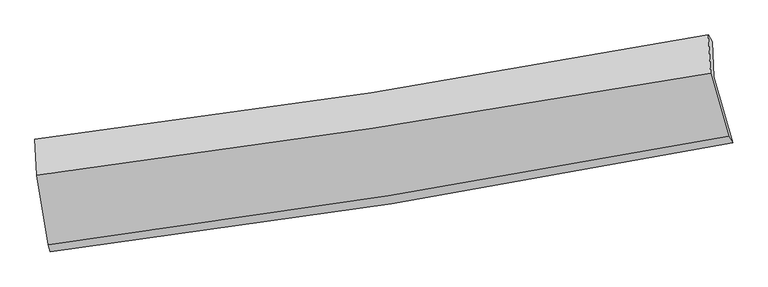
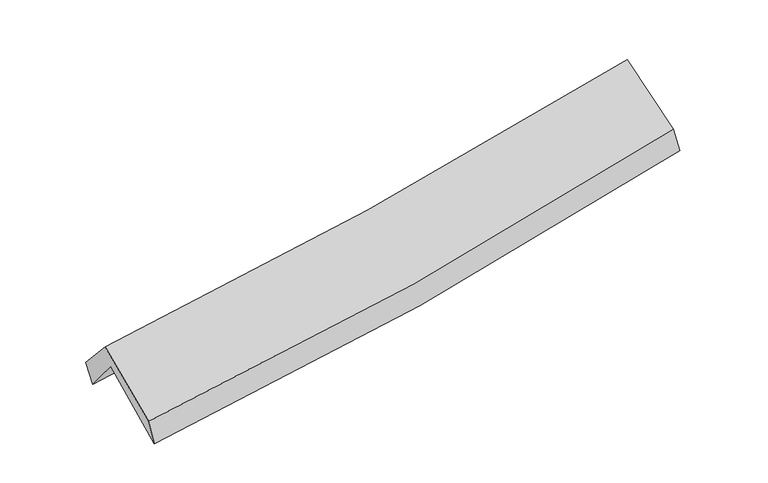
"""IFC4 building model written with IfcOpenShell, lengths in millimetres: proxy geometry."""

from ifc_helpers import new_model, si_unit, frame, origin, place, context, project, spatial, source, transform, mapped, element, save
from ifc_brep_helpers import plane_surface, spline_curve, spline_surface, advanced_brep


def generic_models_f3229497(model_context):
    return source(origin(), model_context, "Body", "AdvancedBrep", [
        advanced_brep(
        [(-2429.9895888, -2480.2461662, 1490.3215083), (-2515.0993828, -1976.3689209, 1927.6201211), (2455.1380482, -1193.4574501, 2373.576335), (2595.36688, -1678.7661323, 1936.6316051), (-2525.4993021, -1722.6768107, 1609.110347), (2445.5442691, -933.0431973, 2047.7251954), (-2543.9262855, -1650.7670985, 1775.7769352), (2416.9676533, -884.2161367, 2215.1655915), (-2530.8422616, -1917.5058836, 2074.9895156), (2433.2085463, -1167.253798, 2519.7079555), (-2446.8463509, -2428.2443844, 1669.4644119), (2565.2928871, -1631.3994464, 2119.1379558)],
        [
            (0, 1),
            (1, 2, spline_curve(3, [(-2515.0993828, -1976.3689209, 1927.6201211), (-1684.187452319, -1869.416992139, 1970.298913333), (-856.432967018, -1751.050758991, 2028.558725481), (800.371392932, -1490.291928316, 2176.921872219), (1629.362718019, -1347.687671119, 2267.314131577), (2455.1380482, -1193.4574501, 2373.576335)], [4, 2, 4], [0.0, 8.297761820759446, 16.672104434382547])),
            (2, 3),
            (3, 0, spline_curve(3, [(2595.36688, -1678.7661323, 1936.6316051), (1761.958909332, -1842.295381074, 1829.386265857), (924.533246707, -1991.089423831, 1738.474934626), (-750.658721094, -2257.981169259, 1590.002275502), (-1588.351881497, -2376.347138075, 1532.143574327), (-2429.9895888, -2480.2461662, 1490.3215083)], [4, 2, 4], [0.0, 8.374342613623101, 16.672104434382547])),
            (1, 4),
            (4, 5, spline_curve(3, [(-2525.4993021, -1722.6768107, 1609.110347), (-1695.478639937, -1611.729070669, 1657.348286201), (-868.105273099, -1490.800710598, 1717.794266137), (788.958340255, -1227.774580411, 1863.772837376), (1618.599497292, -1085.491735882, 1949.531807092), (2445.5442691, -933.0431973, 2047.7251954)], [4, 2, 4], [0.0, 8.251292043745948, 16.578736006588777])),
            (5, 2),
            (4, 6),
            (6, 7, spline_curve(3, [(-2543.9262855, -1650.7670985, 1775.7769352), (-1714.93310841, -1550.558051656, 1824.694839612), (-888.913894532, -1436.929625632, 1885.546256676), (764.772565645, -1181.6614785, 2031.787855011), (1592.384664659, -1039.772917581, 2117.399323252), (2416.9676533, -884.2161367, 2215.1655915)], [4, 2, 4], [0.0, 8.241045037416614, 16.55814742338372])),
            (7, 5),
            (6, 8),
            (8, 9, spline_curve(3, [(-2530.8422616, -1917.5058836, 2074.9895156), (-1702.258783487, -1812.199863646, 2120.710783353), (-876.184698687, -1697.357035624, 2180.396618204), (778.545436563, -1447.449851281, 2328.377148003), (1607.154954501, -1312.208651159, 2416.930793191), (2433.2085463, -1167.253798, 2519.7079555)], [4, 2, 4], [0.0, 8.231077804914147, 16.5381209698903])),
            (9, 7),
            (8, 10),
            (10, 11, spline_curve(3, [(-2446.8463509, -2428.2443844, 1669.4644119), (-1607.7911111, -2321.252533073, 1708.50573905), (-772.486456154, -2201.715767156, 1765.245402427), (898.296171529, -1936.333412693, 1914.808397394), (1733.704595968, -1790.255199265, 2007.959915107), (2565.2928871, -1631.3994464, 2119.1379558)], [4, 2, 4], [0.0, 8.277300482808444, 16.630992918945598])),
            (11, 9),
            (10, 0),
            (3, 11),
        ],
        [
            spline_surface(3, 3, [[(-2429.9895888, -2480.2461662, 1490.3215083), (-1588.351881572, -2376.347138077, 1532.143574305), (-750.658721219, -2257.981169368, 1590.002275445), (924.533246833, -1991.089423721, 1738.474934684), (1761.958909456, -1842.295381102, 1829.386265776), (2595.36688, -1678.7661323, 1936.6316051)], [(-2458.359520138, -2312.28708445, 1636.087712576), (-1620.297071793, -2207.370422758, 1678.195354027), (-785.916803165, -2089.004365951, 1736.187758779), (883.145962187, -1824.156925259, 1884.623913897), (1717.760179001, -1677.426144401, 1975.362221042), (2548.623936063, -1516.996571539, 2082.27984837)], [(-2486.729451462, -2144.32800265, 1781.853916824), (-1652.242261998, -2038.393707388, 1824.247133722), (-821.174885072, -1920.027562461, 1882.373242078), (841.758677579, -1657.224426724, 2030.772893074), (1673.561448558, -1512.556907782, 2121.338176398), (2501.880992137, -1355.227010861, 2227.92809173)], [(-2515.0993828, -1976.3689209, 1927.6201211), (-1684.187452219, -1869.416992069, 1970.298913445), (-856.432967018, -1751.050759045, 2028.558725413), (800.371392932, -1490.291928262, 2176.921872287), (1629.362718104, -1347.68767108, 2267.314131664), (2455.1380482, -1193.4574501, 2373.576335)]], [4, 4], [4, 2, 4], [0.0, 2.2236511366834772], [0.0, 8.297761820759446, 16.672104434382547]),
            spline_surface(3, 3, [[(-2515.0993828, -1976.3689209, 1927.6201211), (-1684.187452219, -1869.416992069, 1970.298913445), (-856.432967018, -1751.050759045, 2028.558725413), (800.371392932, -1490.291928262, 2176.921872287), (1629.362718104, -1347.68767108, 2267.314131664), (2455.1380482, -1193.4574501, 2373.576335)], [(-2518.566022572, -1891.804884151, 1821.450196408), (-1687.95118143, -1783.521018212, 1865.98203769), (-860.323735724, -1664.300742883, 1924.970572271), (796.567042071, -1402.786145602, 2072.538860659), (1625.774977878, -1260.289026, 2161.386690153), (2451.940121852, -1106.652699178, 2264.959288499)], [(-2522.032662328, -1807.240847449, 1715.280271692), (-1691.714910626, -1697.625044401, 1761.665161912), (-864.214504458, -1577.550726805, 1821.38241919), (792.762691182, -1315.280363026, 1968.155849093), (1622.187237597, -1172.890380885, 2055.459248547), (2448.742195448, -1019.847948222, 2156.342241901)], [(-2525.4993021, -1722.6768107, 1609.110347), (-1695.478639837, -1611.729070543, 1657.348286157), (-868.105273164, -1490.800710643, 1717.794266048), (788.95834032, -1227.774580366, 1863.772837465), (1618.599497372, -1085.491735805, 1949.531807037), (2445.5442691, -933.0431973, 2047.7251954)]], [4, 4], [4, 2, 4], [0.0, 1.3358459266388516], [0.0, 8.251292043745948, 16.578736006588777]),
            spline_surface(3, 3, [[(-2525.4993021, -1722.6768107, 1609.110347), (-1695.478639837, -1611.729070543, 1657.348286157), (-868.105273164, -1490.800710643, 1717.794266048), (788.95834032, -1227.774580366, 1863.772837465), (1618.599497372, -1085.491735805, 1949.531807037), (2445.5442691, -933.0431973, 2047.7251954)], [(-2531.641629896, -1698.706906628, 1664.66587637), (-1701.963462685, -1591.338730948, 1713.130470647), (-875.041480277, -1472.843682305, 1773.711596305), (780.896415439, -1212.403546476, 1919.777843271), (1609.861219817, -1070.252129724, 2005.487645736), (2436.018730486, -916.767510426, 2103.538660747)], [(-2537.783957704, -1674.737002572, 1720.22140583), (-1708.448285547, -1570.94839137, 1768.912655227), (-881.977687421, -1454.886653871, 1829.628926554), (772.834490528, -1197.03251249, 1975.782849069), (1601.122942302, -1055.012523666, 2061.443484494), (2426.493191914, -900.491823574, 2159.352126153)], [(-2543.9262855, -1650.7670985, 1775.7769352), (-1714.933108395, -1550.558051775, 1824.694839717), (-888.913894534, -1436.929625533, 1885.546256811), (764.772565646, -1181.661478601, 2031.787854876), (1592.384664746, -1039.772917585, 2117.399323192), (2416.9676533, -884.2161367, 2215.1655915)]], [4, 4], [4, 2, 4], [0.0, 0.5793982153892365], [0.0, 8.241045037416614, 16.55814742338372]),
            spline_surface(3, 3, [[(-2543.9262855, -1650.7670985, 1775.7769352), (-1714.933108395, -1550.558051775, 1824.694839717), (-888.913894534, -1436.929625533, 1885.546256811), (764.772565646, -1181.661478601, 2031.787854876), (1592.384664746, -1039.772917585, 2117.399323192), (2416.9676533, -884.2161367, 2215.1655915)], [(-2539.564944195, -1739.680026888, 1875.514462002), (-1710.70833339, -1637.7719891, 1923.366820913), (-884.670829258, -1523.738762164, 1983.829710574), (769.36352259, -1270.257602834, 2130.65095263), (1597.308094648, -1130.58482875, 2217.243146559), (2422.38128429, -978.562023796, 2316.679712843)], [(-2535.203602905, -1828.592955212, 1975.251988798), (-1706.483558399, -1724.985926362, 2022.038802101), (-880.427763929, -1610.547898885, 2082.113164322), (773.954479586, -1358.853727157, 2229.514050369), (1602.23152458, -1221.396739925, 2317.086969896), (2427.79491531, -1072.907910904, 2418.193834157)], [(-2530.8422616, -1917.5058836, 2074.9895156), (-1702.258783394, -1812.199863687, 2120.710783297), (-876.184698654, -1697.357035516, 2180.396618085), (778.54543653, -1447.449851391, 2328.377148122), (1607.154954481, -1312.208651089, 2416.930793263), (2433.2085463, -1167.253798, 2519.7079555)]], [4, 4], [4, 2, 4], [0.0, 1.299434560053576], [0.0, 8.231077804914147, 16.5381209698903]),
            spline_surface(3, 3, [[(-2530.8422616, -1917.5058836, 2074.9895156), (-1702.258783394, -1812.199863687, 2120.710783297), (-876.184698654, -1697.357035516, 2180.396618085), (778.54543653, -1447.449851391, 2328.377148122), (1607.154954481, -1312.208651089, 2416.930793263), (2433.2085463, -1167.253798, 2519.7079555)], [(-2502.843624726, -2087.752050515, 1939.814481059), (-1670.769559317, -1981.884086779, 1983.309101904), (-841.618617817, -1865.476612735, 2042.012879588), (818.462348235, -1610.411038483, 2190.520897853), (1649.338168343, -1471.557500465, 2280.607167196), (2477.236659926, -1321.96901415, 2386.184622256)], [(-2474.844987774, -2257.998217485, 1804.639446441), (-1639.280335163, -2151.568309925, 1845.907420433), (-807.052537043, -2033.596189958, 1903.629141047), (858.379259877, -1773.372225579, 2052.664647539), (1691.521382127, -1630.906349793, 2144.283541161), (2521.264773474, -1476.68423025, 2252.661289044)], [(-2446.8463509, -2428.2443844, 1669.4644119), (-1607.791111086, -2321.252533016, 1708.50573904), (-772.486456207, -2201.715767177, 1765.24540255), (898.296171582, -1936.333412672, 1914.80839727), (1733.70459599, -1790.255199169, 2007.959915094), (2565.2928871, -1631.3994464, 2119.1379558)]], [4, 4], [4, 2, 4], [0.0, 2.153262423334805], [0.0, 8.277300482808444, 16.630992918945598]),
            spline_surface(3, 3, [[(-2446.8463509, -2428.2443844, 1669.4644119), (-1607.791111086, -2321.252533016, 1708.50573904), (-772.486456207, -2201.715767177, 1765.24540255), (898.296171582, -1936.333412672, 1914.80839727), (1733.70459599, -1790.255199169, 2007.959915094), (2565.2928871, -1631.3994464, 2119.1379558)], [(-2441.227430173, -2445.578311667, 1609.750110685), (-1601.311367888, -2339.61740137, 1649.718350779), (-765.210544554, -2220.470901243, 1706.831026835), (907.041863323, -1954.585416358, 1856.030576394), (1743.122700461, -1807.60192649, 1948.435365341), (2575.317551383, -1647.188341711, 2058.302505586)], [(-2435.608509527, -2462.912238933, 1550.035809515), (-1594.83162477, -2357.982269723, 1590.930962565), (-757.934632872, -2239.226035302, 1648.41665116), (915.787555092, -1972.837420036, 1797.25275556), (1752.540804984, -1824.948653781, 1888.91081553), (2585.342215717, -1662.977236989, 1997.467055314)], [(-2429.9895888, -2480.2461662, 1490.3215083), (-1588.351881572, -2376.347138077, 1532.143574305), (-750.658721219, -2257.981169368, 1590.002275445), (924.533246833, -1991.089423721, 1738.474934684), (1761.958909456, -1842.295381102, 1829.386265776), (2595.36688, -1678.7661323, 1936.6316051)]], [4, 4], [4, 2, 4], [0.0, 0.6099407657548725], [0.0, 8.333808628216486, 16.744530728536514]),
            plane_surface(frame((2485.2530473, -1248.0226935, 2201.9907731), z_axis=(0.9771179191738506, 0.17925598506483276, 0.11448957964723716), x_axis=(0.21060598559510338, -0.7400714657086183, -0.6387012951884572))),
            plane_surface(frame((-2498.7005286, -2029.3015441, 1757.8804732), z_axis=(-0.991494201700343, -0.11563578852631948, -0.059729493606557826), x_axis=(-0.08999972353952014, 0.27764204866897757, 0.9564595875277235))),
        ],
        [
            (0, [[1, 2, 3, 4]]),
            (1, [[5, 6, 7, -2]]),
            (2, [[8, 9, 10, -6]]),
            (3, [[11, 12, 13, -9]]),
            (4, [[14, 15, 16, -12]]),
            (5, [[17, -4, 18, -15]]),
            (6, [[-16, -18, -3, -7, -10, -13]]),
            (7, [[-17, -14, -11, -8, -5, -1]]),
        ],
    ),
    ])


if __name__ == "__main__":
    model = new_model("IFC4")
    model_context = context("Model", 3, world=origin())
    ifc_project = project(units=[si_unit("LENGTHUNIT", "METRE", prefix="MILLI")], contexts=[model_context])
    site = spatial("IfcSite", under=ifc_project)
    building = spatial("IfcBuilding", under=site)
    placement = place(None, origin())
    generic_models_shape = generic_models_f3229497(model_context)
    element("IfcBuildingElementProxy", 1, Name="Generic Models", at=placement, inside=building, context=model_context, shape_type="MappedRepresentation", body=[
        mapped(generic_models_shape, transform((0.0, 0.0, 0.0), x_axis=(1.0, 0.0, 0.0), y_axis=(0.0, 1.0, 0.0), z_axis=(0.0, 0.0, 1.0))),
    ])
    save(model, "model.ifc")
